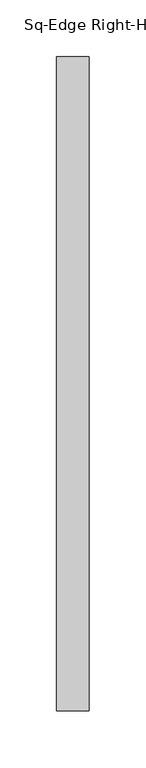
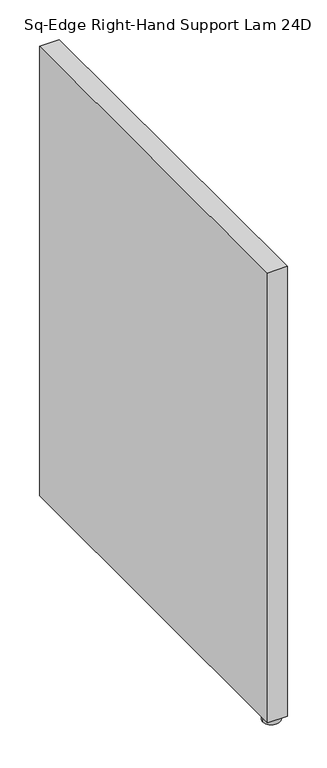
"""IFC4 building model written with IfcOpenShell, lengths in millimetres: furniture geometry, Sq-Edge Right-Hand Support Lam 24D."""

from ifc_helpers import new_model, si_unit, frame, origin, place, context, project, spatial, polyline, circle_curve, outline, extrude, source, transform, mapped, element, save
from ifc_brep_helpers import plane_surface, cylinder_surface, advanced_brep


def sq_edge_right_hand_support_lam_24d_96a6d398(model_context):
    return source(origin(), model_context, "Body", "SolidModel", [
        advanced_brep(
        [(-15.9512, -564.7689845, 8.6613997), (-11.8267541, -564.7689845, 8.6613997), (-20.0756459, -564.7689845, 8.6613997), (-28.6512004, -564.7689845, -1e-07), (-3.2511996, -564.7689845, -1e-07), (-15.9512, -564.7689845, -1e-07), (-28.6512004, -564.7689845, 7.874), (-3.2511996, -564.7689845, 7.874), (-20.0756459, -564.7689845, 7.874), (-11.8267541, -564.7689845, 7.874)],
        [
            (0, 1),
            (1, 2, circle_curve(frame((-15.9512, -564.7689845, 8.6613997), z_axis=(0.0, 0.0, 1.0), x_axis=(1.0, 0.0, 0.0)), 4.1244459)),
            (2, 0),
            (2, 1, circle_curve(frame((-15.9512, -564.7689845, 8.6613997), z_axis=(0.0, 0.0, 1.0), x_axis=(1.0, 0.0, 0.0)), 4.1244459)),
            (3, 4, circle_curve(frame((-15.9512, -564.7689845, -1e-07), z_axis=(0.0, 0.0, -1.0), x_axis=(1.0, 0.0, 0.0)), 12.7000004)),
            (4, 5),
            (5, 3),
            (4, 3, circle_curve(frame((-15.9512, -564.7689845, -1e-07), z_axis=(0.0, 0.0, -1.0), x_axis=(1.0, 0.0, 0.0)), 12.7000004)),
            (6, 7, circle_curve(frame((-15.9512, -564.7689845, 7.874), z_axis=(0.0, 0.0, -1.0), x_axis=(1.0, 0.0, 0.0)), 12.7000004)),
            (7, 4),
            (3, 6),
            (7, 6, circle_curve(frame((-15.9512, -564.7689845, 7.874), z_axis=(0.0, 0.0, -1.0), x_axis=(1.0, 0.0, 0.0)), 12.7000004)),
            (8, 9, circle_curve(frame((-15.9512, -564.7689845, 7.874), z_axis=(0.0, 0.0, -1.0), x_axis=(1.0, 0.0, 0.0)), 4.1244459)),
            (9, 7),
            (6, 8),
            (9, 8, circle_curve(frame((-15.9512, -564.7689845, 7.874), z_axis=(0.0, 0.0, -1.0), x_axis=(1.0, 0.0, 0.0)), 4.1244459)),
            (1, 9),
            (8, 2),
        ],
        [
            plane_surface(frame((-15.9512, -564.7689845, 8.6613997), z_axis=(0.0, 0.0, 1.0), x_axis=(1.0, 0.0, 0.0))),
            plane_surface(frame((-15.9512, -564.7689845, -1e-07), z_axis=(0.0, 0.0, -1.0), x_axis=(1.0, 0.0, 0.0))),
            cylinder_surface(frame((-15.9512, -564.7689845, 15.4967659), z_axis=(0.0, 0.0, 1.0), x_axis=(1.0, 0.0, 0.0)), 12.7000004),
            plane_surface(frame((-15.9512, -564.7689845, 7.874), z_axis=(0.0, 0.0, 1.0), x_axis=(1.0, 0.0, 0.0))),
            cylinder_surface(frame((-15.9512, -564.7689845, 15.4967659), z_axis=(0.0, 0.0, 1.0), x_axis=(1.0, 0.0, 0.0)), 4.1244459),
        ],
        [
            (0, [[1, 2, 3]]),
            (0, [[-3, 4, -1]]),
            (1, [[5, 6, 7]]),
            (1, [[8, -7, -6]]),
            (2, [[9, 10, -5, 11]]),
            (2, [[12, -11, -8, -10]]),
            (3, [[13, 14, -9, 15]]),
            (3, [[16, -15, -12, -14]]),
            (4, [[-2, 17, -13, 18]]),
            (4, [[-4, -18, -16, -17]]),
        ],
    ),
        extrude(outline(polyline([(-1.524, -580.644), (-30.3784, -580.644), (-30.3784, -3.556), (-1.524, -3.556), (-1.524, -580.644)])), frame((0.0, 0.0, 8.6614), z_axis=(0.0, 0.0, 1.0), x_axis=(1.0, 0.0, 0.0)), (0.0, 0.0, 1.0), 693.7502),
    ])


if __name__ == "__main__":
    model = new_model("IFC4")
    model_context = context("Model", 3, world=origin())
    ifc_project = project(units=[si_unit("LENGTHUNIT", "METRE", prefix="MILLI")], contexts=[model_context])
    site = spatial("IfcSite", under=ifc_project)
    building = spatial("IfcBuilding", under=site)
    placement = place(None, origin())
    sq_edge_right_hand_support_lam_24d_shape = sq_edge_right_hand_support_lam_24d_96a6d398(model_context)
    element("IfcFurniture", 1, ObjectType="Sq-Edge Right-Hand Support Lam 24D", at=placement, inside=building, context=model_context, shape_type="MappedRepresentation", body=[
        mapped(sq_edge_right_hand_support_lam_24d_shape, transform((0.0, 0.0, 0.0), x_axis=(1.0, 0.0, 0.0), y_axis=(0.0, 1.0, 0.0), z_axis=(0.0, 0.0, 1.0))),
    ])
    save(model, "model.ifc")
